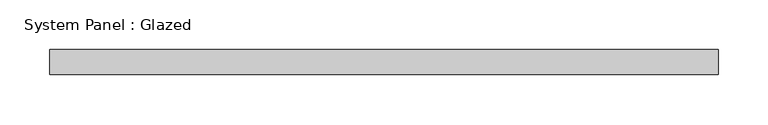
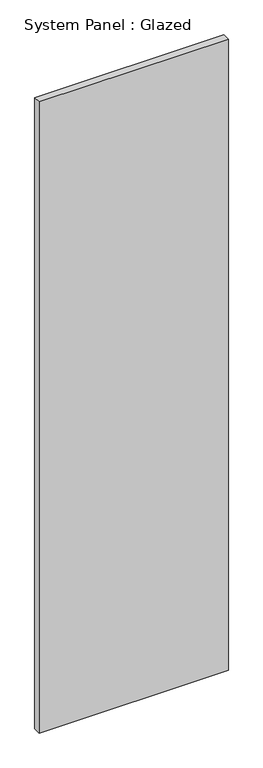
"""IFC4 building model written with IfcOpenShell, lengths in millimetres: plate geometry, System Panel : Glazed."""

from ifc_helpers import new_model, si_unit, origin, origin_with_axes, place, context, project, spatial, polyline, outline, extrude, source, transform, mapped, element, save


def system_panel_glazed_9fc229ae(model_context):
    return source(origin(), model_context, "Body", "SweptSolid", [
        extrude(outline(polyline([(336.1362871, -12.7), (-336.1362871, -12.7), (-336.1362871, 12.7), (336.1362871, 12.7), (336.1362871, -12.7)])), origin_with_axes(), (0.0, 0.0, 1.0), 2367.7626),
    ])


if __name__ == "__main__":
    model = new_model("IFC4")
    model_context = context("Model", 3, world=origin())
    ifc_project = project(units=[si_unit("LENGTHUNIT", "METRE", prefix="MILLI")], contexts=[model_context])
    site = spatial("IfcSite", under=ifc_project)
    building = spatial("IfcBuilding", under=site)
    placement = place(None, origin())
    system_panel_glazed_shape = system_panel_glazed_9fc229ae(model_context)
    element("IfcPlate", 1, ObjectType="System Panel : Glazed", at=placement, inside=building, context=model_context, shape_type="MappedRepresentation", body=[
        mapped(system_panel_glazed_shape, transform((0.0, 0.0, 0.0), x_axis=(1.0, 0.0, 0.0), y_axis=(0.0, 1.0, 0.0), z_axis=(0.0, 0.0, 1.0))),
    ])
    save(model, "model.ifc")
